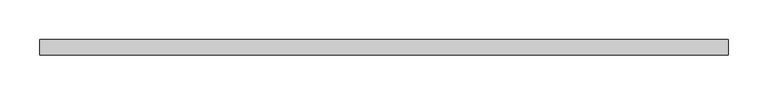
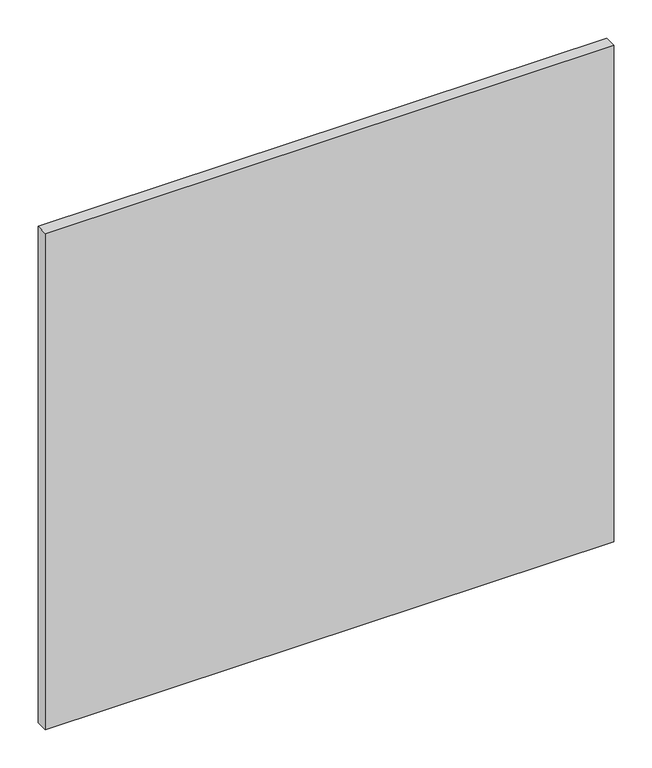
"""IFC4 building model written with IfcOpenShell, lengths in millimetres: proxy geometry."""

from ifc_helpers import new_model, si_unit, frame, origin, place, context, project, spatial, polyline, outline, extrude, source, transform, mapped, element, save


def specialty_equipment_a6ee60ed(model_context):
    return source(origin(), model_context, "Body", "SweptSolid", [
        extrude(outline(polyline([(431.199949, 0.0), (431.199949, -19.05), (-431.199949, -19.05), (-431.199949, 0.0), (431.199949, 0.0)])), frame((0.0, 0.0, 3.175), z_axis=(0.0, 0.0, 1.0), x_axis=(1.0, 0.0, 0.0)), (0.0, 0.0, 1.0), 796.0868001),
    ])


if __name__ == "__main__":
    model = new_model("IFC4")
    model_context = context("Model", 3, world=origin())
    ifc_project = project(units=[si_unit("LENGTHUNIT", "METRE", prefix="MILLI")], contexts=[model_context])
    site = spatial("IfcSite", under=ifc_project)
    building = spatial("IfcBuilding", under=site)
    placement = place(None, origin())
    specialty_equipment_shape = specialty_equipment_a6ee60ed(model_context)
    element("IfcBuildingElementProxy", 1, Name="Specialty Equipment", at=placement, inside=building, context=model_context, shape_type="MappedRepresentation", body=[
        mapped(specialty_equipment_shape, transform((0.0, 0.0, 0.0), x_axis=(1.0, 0.0, 0.0), y_axis=(0.0, 1.0, 0.0), z_axis=(0.0, 0.0, 1.0))),
    ])
    save(model, "model.ifc")
